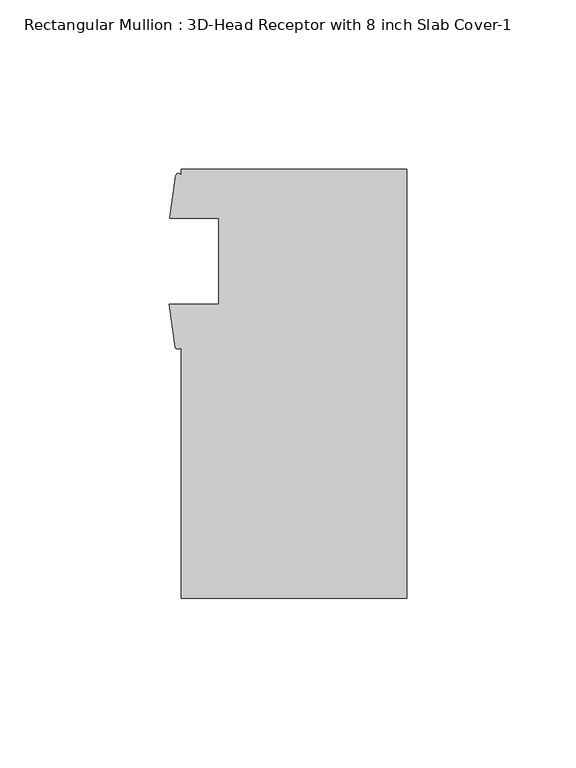
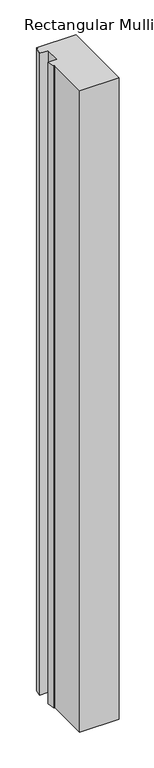
"""IFC4 building model written with IfcOpenShell, lengths in millimetres: member geometry, Rectangular Mullion : 3D-Head Receptor with 8 inch Slab Cover-1."""

from ifc_helpers import new_model, si_unit, point, frame, frame_2d, origin, place, context, project, spatial, polyline, circle_curve, trimmed, segment, composite_curve, outline, extrude, source, transform, mapped, element, save


def rectangular_mullion_3d_head_receptor_with_8_inch_slab_cover_dd641ac1(model_context):
    return source(origin(), model_context, "Body", "SweptSolid", [
        extrude(outline(composite_curve([segment(trimmed(circle_curve(frame_2d((-32.4094413, 1.7915983)), 0.9669288), [point((-31.5777391, 1.2984222))], [point((-33.2411435, 1.2984222))], False, "CARTESIAN"), True, "CONTINUOUS"), segment(polyline([(-33.2411435, 1.2984222), (-35.0972609, 14.071475), (-20.4652391, 14.071475), (-20.4652391, 39.471475), (-34.9737391, 39.471475), (-33.1636354, 52.2427625)]), True, "CONTINUOUS"), segment(trimmed(circle_curve(frame_2d((-32.3706873, 51.8105998)), 0.9030677), [point((-33.1636354, 52.2427625))], [point((-31.5777391, 52.2427625))], False, "CARTESIAN"), True, "CONTINUOUS"), segment(polyline([(-31.5777391, 52.2427625), (-31.5777391, 53.975), (35.0972609, 53.975), (35.0972609, -72.771), (-31.5777391, -72.771), (-31.5777391, 1.2984222)]), True, "CONTINUOUS")], self_intersect=False)), frame((0.0, 0.0, -1155.0109565), z_axis=(0.0, 0.0, 1.0), x_axis=(1.0, 0.0, 0.0)), (0.0, 0.0, 1.0), 1155.0109565),
    ])


if __name__ == "__main__":
    model = new_model("IFC4")
    model_context = context("Model", 3, world=origin())
    ifc_project = project(units=[si_unit("LENGTHUNIT", "METRE", prefix="MILLI")], contexts=[model_context])
    site = spatial("IfcSite", under=ifc_project)
    building = spatial("IfcBuilding", under=site)
    placement = place(None, origin())
    rectangular_mullion_3d_head_receptor_with_8_inch_slab_cover_shape = rectangular_mullion_3d_head_receptor_with_8_inch_slab_cover_dd641ac1(model_context)
    element("IfcMember", 1, ObjectType="Rectangular Mullion : 3D-Head Receptor with 8 inch Slab Cover-1", at=placement, inside=building, context=model_context, shape_type="MappedRepresentation", body=[
        mapped(rectangular_mullion_3d_head_receptor_with_8_inch_slab_cover_shape, transform((0.0, 0.0, 0.0), x_axis=(1.0, 0.0, 0.0), y_axis=(0.0, 1.0, 0.0), z_axis=(0.0, 0.0, 1.0))),
    ])
    save(model, "model.ifc")
